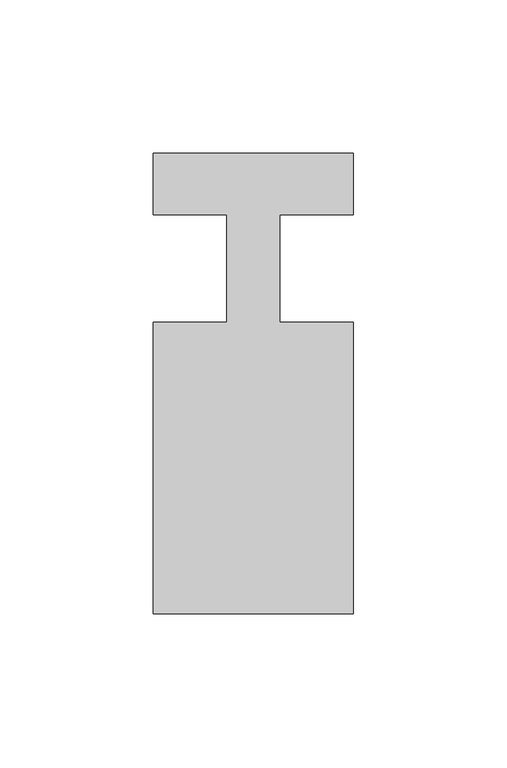
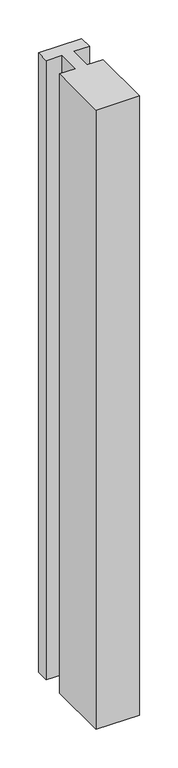
"""IFC4 building model written with IfcOpenShell, lengths in millimetres: member geometry."""

from ifc_helpers import new_model, si_unit, frame, origin, place, context, project, spatial, polyline, outline, extrude, source, transform, mapped, element, save


def member_24053b3c(model_context):
    return source(origin(), model_context, "Body", "SweptSolid", [
        extrude(outline(polyline([(-65.0, 37.0), (0.0, 37.0), (0.0, 17.0), (-23.8125, 17.0), (-23.8125, -18.0), (0.0, -18.0), (0.0, -113.0), (-65.0, -113.0), (-65.0, -18.0), (-41.1875, -18.0), (-41.1875, 17.0), (-65.0, 17.0), (-65.0, 37.0)])), frame((0.0, 0.0, -981.6666667), z_axis=(0.0, 0.0, 1.0), x_axis=(1.0, 0.0, 0.0)), (0.0, 0.0, 1.0), 981.6666667),
    ])


if __name__ == "__main__":
    model = new_model("IFC4")
    model_context = context("Model", 3, world=origin())
    ifc_project = project(units=[si_unit("LENGTHUNIT", "METRE", prefix="MILLI")], contexts=[model_context])
    site = spatial("IfcSite", under=ifc_project)
    building = spatial("IfcBuilding", under=site)
    placement = place(None, origin())
    member_shape = member_24053b3c(model_context)
    element("IfcMember", 1, at=placement, inside=building, context=model_context, shape_type="MappedRepresentation", body=[
        mapped(member_shape, transform((0.0, 0.0, 0.0), x_axis=(1.0, 0.0, 0.0), y_axis=(0.0, 1.0, 0.0), z_axis=(0.0, 0.0, 1.0))),
    ])
    save(model, "model.ifc")
